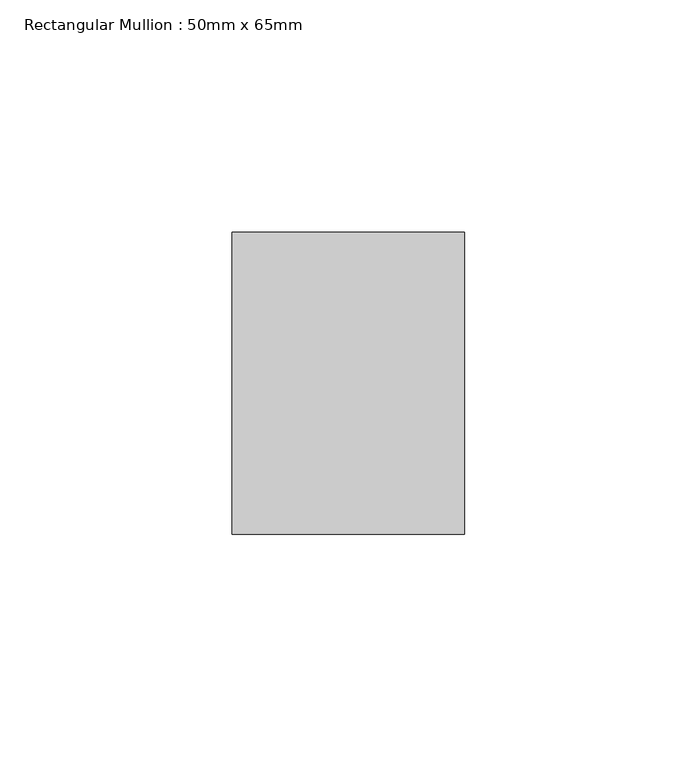
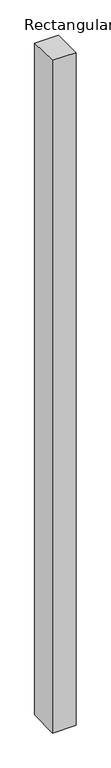
"""IFC4 building model written with IfcOpenShell, lengths in millimetres: member geometry, Rectangular Mullion : 50mm x 65mm."""

from ifc_helpers import new_model, si_unit, origin, place, context, project, spatial, faceted_brep, source, transform, mapped, element, save


def rectangular_mullion_50mm_x_65mm_546f058a(model_context):
    return source(origin(), model_context, "Body", "Brep", [
        faceted_brep([(-25.0, 32.5, -0.5683228), (25.0, 32.5, -0.5683166), (25.0, 32.5, -1499.2872782), (-25.0, 32.5, -1499.2872704), (-25.0, -32.5, 0.5683166), (-25.0, -32.5, -1500.7126862), (25.0, -32.5, 0.5683228), (25.0, -32.5, -1500.7126941)], [[[0, 1, 2, 3]], [[4, 0, 3, 5]], [[6, 4, 5, 7]], [[1, 6, 7, 2]], [[1, 0, 4, 6]], [[2, 7, 5, 3]]]),
    ])


if __name__ == "__main__":
    model = new_model("IFC4")
    model_context = context("Model", 3, world=origin())
    ifc_project = project(units=[si_unit("LENGTHUNIT", "METRE", prefix="MILLI")], contexts=[model_context])
    site = spatial("IfcSite", under=ifc_project)
    building = spatial("IfcBuilding", under=site)
    placement = place(None, origin())
    rectangular_mullion_50mm_x_65mm_shape = rectangular_mullion_50mm_x_65mm_546f058a(model_context)
    element("IfcMember", 1, ObjectType="Rectangular Mullion : 50mm x 65mm", at=placement, inside=building, context=model_context, shape_type="MappedRepresentation", body=[
        mapped(rectangular_mullion_50mm_x_65mm_shape, transform((0.0, 0.0, 0.0), x_axis=(1.0, 0.0, 0.0), y_axis=(0.0, 1.0, 0.0), z_axis=(0.0, 0.0, 1.0))),
    ])
    save(model, "model.ifc")
